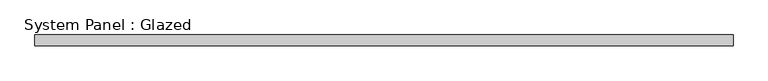
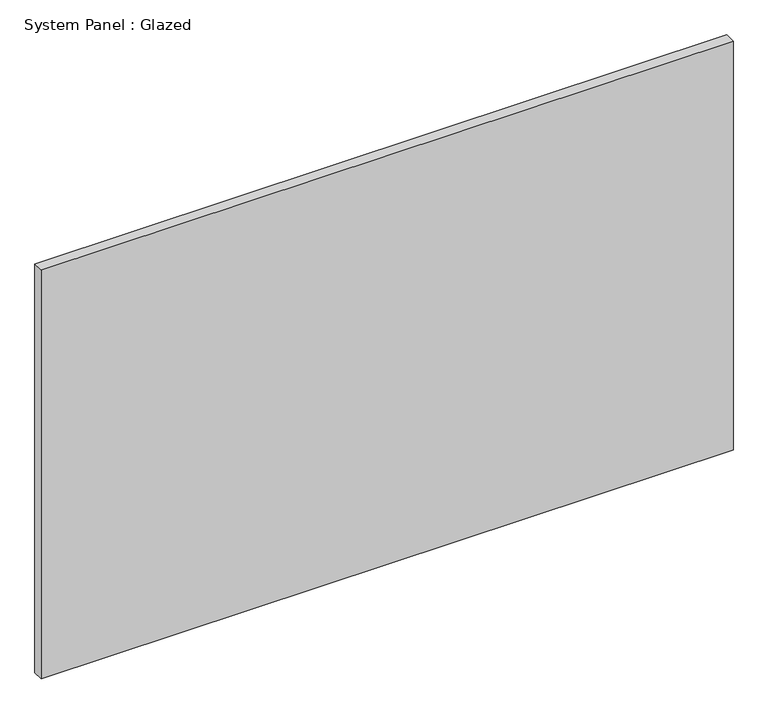
"""IFC4 building model written with IfcOpenShell, lengths in millimetres: plate geometry, System Panel : Glazed."""

from ifc_helpers import new_model, si_unit, origin, origin_with_axes, place, context, project, spatial, polyline, outline, extrude, source, transform, mapped, element, save


def system_panel_glazed_7cbe3d00(model_context):
    return source(origin(), model_context, "Body", "SweptSolid", [
        extrude(outline(polyline([(800.0, 24.5), (-800.0, 24.5), (-800.0, 49.5), (800.0, 49.5), (800.0, 24.5)])), origin_with_axes(), (0.0, 0.0, 1.0), 1000.0),
    ])


if __name__ == "__main__":
    model = new_model("IFC4")
    model_context = context("Model", 3, world=origin())
    ifc_project = project(units=[si_unit("LENGTHUNIT", "METRE", prefix="MILLI")], contexts=[model_context])
    site = spatial("IfcSite", under=ifc_project)
    building = spatial("IfcBuilding", under=site)
    placement = place(None, origin())
    system_panel_glazed_shape = system_panel_glazed_7cbe3d00(model_context)
    element("IfcPlate", 1, ObjectType="System Panel : Glazed", at=placement, inside=building, context=model_context, shape_type="MappedRepresentation", body=[
        mapped(system_panel_glazed_shape, transform((0.0, 0.0, 0.0), x_axis=(1.0, 0.0, 0.0), y_axis=(0.0, 1.0, 0.0), z_axis=(0.0, 0.0, 1.0))),
    ])
    save(model, "model.ifc")
